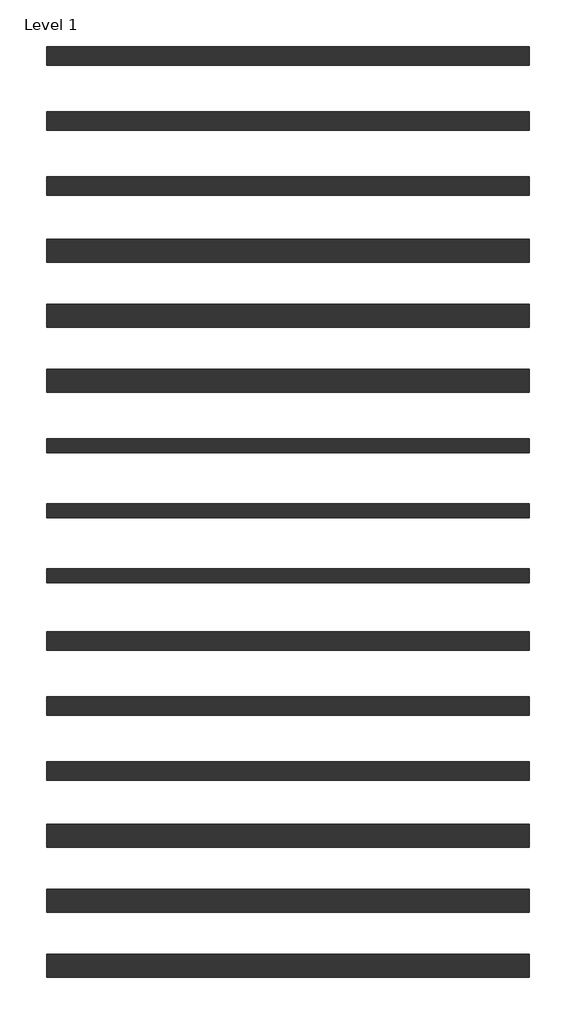
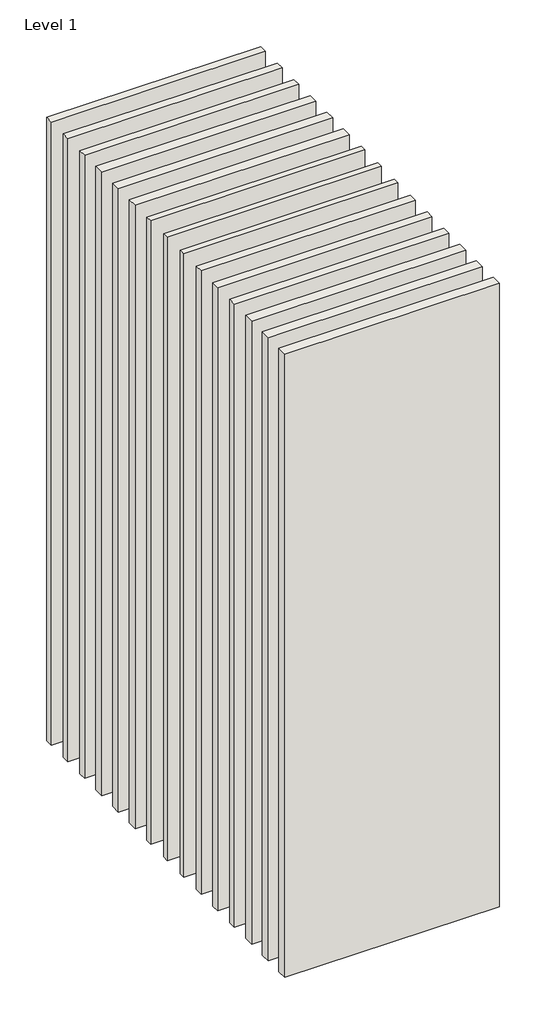
# One storey: 17 walls.
"""IFC4 building model written with IfcOpenShell, lengths in millimetres."""

from ifc_helpers import new_model, si_unit, origin, origin_with_axes, place, context, project, spatial, polyline, outline, extrude, element, save

model = new_model("IFC4")

# Units and contexts
model_context = context("Model", 3, world=origin())
ifc_project = project(units=[si_unit("LENGTHUNIT", "METRE", prefix="MILLI")], contexts=[model_context])

# Site, building, storey
site = spatial("IfcSite", under=ifc_project)
building = spatial("IfcBuilding", under=site)
storey = spatial("IfcBuildingStorey", under=building, Name="Level 1", Elevation=0.0)

# Walls
placement = place(None, origin())
element("IfcWall", 1, at=placement, inside=storey, context=model_context, shape_type="SweptSolid", body=[
    extrude(outline(polyline([(-16904.1464237, 6848.9042935), (-19504.1464237, 6848.9042935), (-19504.1464237, 6923.9042935), (-16904.1464237, 6923.9042935), (-16904.1464237, 6848.9042935)])), origin_with_axes(), (0.0, 0.0, 1.0), 8000.0),
])
element("IfcWall", 2, at=placement, inside=storey, context=model_context, shape_type="SweptSolid", body=[
    extrude(outline(polyline([(-16904.1464237, 6498.9042935), (-19504.1464237, 6498.9042935), (-19504.1464237, 6573.9042935), (-16904.1464237, 6573.9042935), (-16904.1464237, 6498.9042935)])), origin_with_axes(), (0.0, 0.0, 1.0), 8000.0),
])
element("IfcWall", 3, at=placement, inside=storey, context=model_context, shape_type="SweptSolid", body=[
    extrude(outline(polyline([(-16904.1464237, 6498.9042935), (-19504.1464237, 6498.9042935), (-19504.1464237, 6573.9042935), (-16904.1464237, 6573.9042935), (-16904.1464237, 6498.9042935)])), origin_with_axes(), (0.0, 0.0, 1.0), 8000.0),
])
element("IfcWall", 4, at=placement, inside=storey, context=model_context, shape_type="SweptSolid", body=[
    extrude(outline(polyline([(-16904.1464237, 6148.9042935), (-19504.1464237, 6148.9042935), (-19504.1464237, 6223.9042935), (-16904.1464237, 6223.9042935), (-16904.1464237, 6148.9042935)])), origin_with_axes(), (0.0, 0.0, 1.0), 8000.0),
])
element("IfcWall", 5, at=placement, inside=storey, context=model_context, shape_type="SweptSolid", body=[
    extrude(outline(polyline([(-16904.1464237, 6148.9042935), (-19504.1464237, 6148.9042935), (-19504.1464237, 6223.9042935), (-16904.1464237, 6223.9042935), (-16904.1464237, 6148.9042935)])), origin_with_axes(), (0.0, 0.0, 1.0), 8000.0),
])
element("IfcWall", 6, at=placement, inside=storey, context=model_context, shape_type="SweptSolid", body=[
    extrude(outline(polyline([(-16904.1464237, 5786.4042935), (-19504.1464237, 5786.4042935), (-19504.1464237, 5886.4042935), (-16904.1464237, 5886.4042935), (-16904.1464237, 5786.4042935)])), origin_with_axes(), (0.0, 0.0, 1.0), 8000.0),
])
element("IfcWall", 7, at=placement, inside=storey, context=model_context, shape_type="SweptSolid", body=[
    extrude(outline(polyline([(-16904.1464237, 5436.4042935), (-19504.1464237, 5436.4042935), (-19504.1464237, 5536.4042935), (-16904.1464237, 5536.4042935), (-16904.1464237, 5436.4042935)])), origin_with_axes(), (0.0, 0.0, 1.0), 8000.0),
])
element("IfcWall", 8, at=placement, inside=storey, context=model_context, shape_type="SweptSolid", body=[
    extrude(outline(polyline([(-16904.1464237, 5086.4042935), (-19504.1464237, 5086.4042935), (-19504.1464237, 5186.4042935), (-16904.1464237, 5186.4042935), (-16904.1464237, 5086.4042935)])), origin_with_axes(), (0.0, 0.0, 1.0), 8000.0),
])
element("IfcWall", 9, at=placement, inside=storey, context=model_context, shape_type="SweptSolid", body=[
    extrude(outline(polyline([(-16904.1464237, 4723.9042935), (-19504.1464237, 4723.9042935), (-19504.1464237, 4848.9042935), (-16904.1464237, 4848.9042935), (-16904.1464237, 4723.9042935)])), origin_with_axes(), (0.0, 0.0, 1.0), 8000.0),
])
element("IfcWall", 10, at=placement, inside=storey, context=model_context, shape_type="SweptSolid", body=[
    extrude(outline(polyline([(-16904.1464237, 4373.9042935), (-19504.1464237, 4373.9042935), (-19504.1464237, 4498.9042935), (-16904.1464237, 4498.9042935), (-16904.1464237, 4373.9042935)])), origin_with_axes(), (0.0, 0.0, 1.0), 8000.0),
])
element("IfcWall", 11, at=placement, inside=storey, context=model_context, shape_type="SweptSolid", body=[
    extrude(outline(polyline([(-16904.1464237, 4023.9042935), (-19504.1464237, 4023.9042935), (-19504.1464237, 4148.9042935), (-16904.1464237, 4148.9042935), (-16904.1464237, 4023.9042935)])), origin_with_axes(), (0.0, 0.0, 1.0), 8000.0),
])
element("IfcWall", 12, at=placement, inside=storey, context=model_context, shape_type="SweptSolid", body=[
    extrude(outline(polyline([(-16904.1464237, 8936.4042935), (-19504.1464237, 8936.4042935), (-19504.1464237, 9036.4042935), (-16904.1464237, 9036.4042935), (-16904.1464237, 8936.4042935)])), origin_with_axes(), (0.0, 0.0, 1.0), 8000.0),
])
element("IfcWall", 13, at=placement, inside=storey, context=model_context, shape_type="SweptSolid", body=[
    extrude(outline(polyline([(-16904.1464237, 8586.4042935), (-19504.1464237, 8586.4042935), (-19504.1464237, 8686.4042935), (-16904.1464237, 8686.4042935), (-16904.1464237, 8586.4042935)])), origin_with_axes(), (0.0, 0.0, 1.0), 8000.0),
])
element("IfcWall", 14, at=placement, inside=storey, context=model_context, shape_type="SweptSolid", body=[
    extrude(outline(polyline([(-16904.1464237, 8236.4042935), (-19504.1464237, 8236.4042935), (-19504.1464237, 8336.4042935), (-16904.1464237, 8336.4042935), (-16904.1464237, 8236.4042935)])), origin_with_axes(), (0.0, 0.0, 1.0), 8000.0),
])
element("IfcWall", 15, at=placement, inside=storey, context=model_context, shape_type="SweptSolid", body=[
    extrude(outline(polyline([(-16904.1464237, 7873.9042935), (-19504.1464237, 7873.9042935), (-19504.1464237, 7998.9042935), (-16904.1464237, 7998.9042935), (-16904.1464237, 7873.9042935)])), origin_with_axes(), (0.0, 0.0, 1.0), 8000.0),
])
element("IfcWall", 16, at=placement, inside=storey, context=model_context, shape_type="SweptSolid", body=[
    extrude(outline(polyline([(-16904.1464237, 7523.9042935), (-19504.1464237, 7523.9042935), (-19504.1464237, 7648.9042935), (-16904.1464237, 7648.9042935), (-16904.1464237, 7523.9042935)])), origin_with_axes(), (0.0, 0.0, 1.0), 8000.0),
])
element("IfcWall", 17, at=placement, inside=storey, context=model_context, shape_type="SweptSolid", body=[
    extrude(outline(polyline([(-16904.1464237, 7173.9042935), (-19504.1464237, 7173.9042935), (-19504.1464237, 7298.9042935), (-16904.1464237, 7298.9042935), (-16904.1464237, 7173.9042935)])), origin_with_axes(), (0.0, 0.0, 1.0), 8000.0),
])

save(model, "model.ifc")
